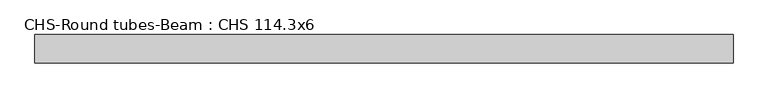
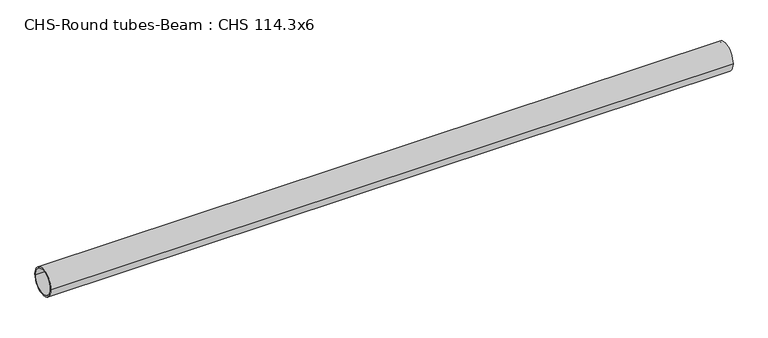
"""IFC4 building model written with IfcOpenShell, lengths in millimetres: beam geometry, CHS-Round tubes-Beam : CHS 114.3x6."""

from ifc_helpers import new_model, si_unit, point, frame, origin, origin_2d, place, context, project, spatial, circle_curve, trimmed, segment, composite_curve, outline, extrude, source, transform, mapped, element, save


def chs_round_tubes_beam_chs_114_3x6_0afa8b9d(model_context):
    return source(origin(), model_context, "Body", "SweptSolid", [
        extrude(outline(composite_curve([segment(trimmed(circle_curve(origin_2d(), 57.15), [point((57.15, 0.0))], [point((-57.15, 0.0))], False, "CARTESIAN"), True, "CONTINUOUS"), segment(trimmed(circle_curve(origin_2d(), 57.15), [point((-57.15, 0.0))], [point((57.15, 0.0))], False, "CARTESIAN"), True, "CONTINUOUS")], self_intersect=False), holes=[composite_curve([segment(trimmed(circle_curve(origin_2d(), 51.15), [point((51.15, 0.0))], [point((-51.15, 0.0))], True, "CARTESIAN"), True, "CONTINUOUS"), segment(trimmed(circle_curve(origin_2d(), 51.15), [point((-51.15, 0.0))], [point((51.15, 0.0))], True, "CARTESIAN"), True, "CONTINUOUS")], self_intersect=False)]), frame((-1418.797741, 0.0, 0.0), z_axis=(1.0, 0.0, 0.0), x_axis=(0.0, 1.0, 0.0)), (0.0, 0.0, 1.0), 2828.4682491),
    ])


if __name__ == "__main__":
    model = new_model("IFC4")
    model_context = context("Model", 3, world=origin())
    ifc_project = project(units=[si_unit("LENGTHUNIT", "METRE", prefix="MILLI")], contexts=[model_context])
    site = spatial("IfcSite", under=ifc_project)
    building = spatial("IfcBuilding", under=site)
    placement = place(None, origin())
    chs_round_tubes_beam_chs_114_3x6_shape = chs_round_tubes_beam_chs_114_3x6_0afa8b9d(model_context)
    element("IfcBeam", 1, ObjectType="CHS-Round tubes-Beam : CHS 114.3x6", at=placement, inside=building, context=model_context, shape_type="MappedRepresentation", body=[
        mapped(chs_round_tubes_beam_chs_114_3x6_shape, transform((0.0, 0.0, 0.0), x_axis=(1.0, 0.0, 0.0), y_axis=(0.0, 1.0, 0.0), z_axis=(0.0, 0.0, 1.0))),
    ])
    save(model, "model.ifc")
